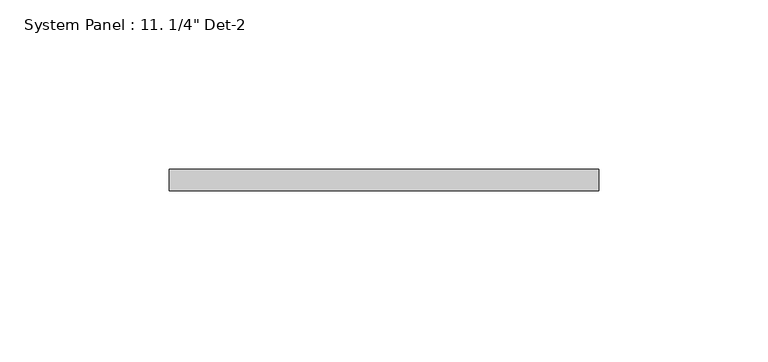
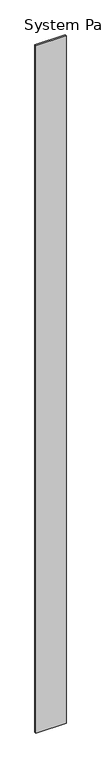
"""IFC4 building model written with IfcOpenShell, lengths in millimetres: plate geometry."""

import ifcopenshell
import ifcopenshell.guid

model = None  # the IFC model being written
_history = None  # IfcOwnerHistory: only IFC2X3 demands one
_inside = {}  # id of a spatial element -> (the spatial element, [elements in it])
_under = {}  # id of a project, library or spatial element -> (it, [spatial elements below it])
_declared = {}  # id of a project -> (the project, [libraries it declares])
_typed = {}  # id of a type object -> (the type object, [elements of that type])
_made_of = {}  # id of a material, layer set ... -> (it, [elements and type objects made of it])


def new_model(schema):
    """Start an empty IFC model of exactly this schema.

    Asked for "IFC4X3", IfcOpenShell would pick the latest addendum, in which some entities
    have other attributes; the version numbers below select the first issue.
    IFC2X3 requires an IfcOwnerHistory on every rooted entity: one is made here for all.
    """
    global model, _history
    if schema == "IFC4X3":
        model = ifcopenshell.file(schema_version=(4, 3, 0, 0))
    else:
        model = ifcopenshell.file(schema=schema)
    _inside.clear()
    _under.clear()
    _declared.clear()
    _typed.clear()
    _made_of.clear()
    _history = None
    if model.schema == "IFC2X3":
        org = make("IfcOrganization", Name="unknown")
        user = make(
            "IfcPersonAndOrganization",
            ThePerson=make("IfcPerson", FamilyName="unknown"),
            TheOrganization=org,
        )
        app = make(
            "IfcApplication",
            ApplicationDeveloper=org,
            Version="unknown",
            ApplicationFullName="unknown",
            ApplicationIdentifier="unknown",
        )
        _history = make(
            "IfcOwnerHistory",
            OwningUser=user,
            OwningApplication=app,
            ChangeAction="ADDED",
            CreationDate=0,
        )
    return model


def make(cls, **values):
    """One entity of the class cls with the attributes given. An attribute that is None is left unset."""
    return model.create_entity(
        cls, **{name: value for name, value in values.items() if value is not None}
    )


def rooted(cls, **values):
    """An entity with a GlobalId (a new one), such as an element, a storey or a relation."""
    return make(cls, GlobalId=ifcopenshell.guid.new(), OwnerHistory=_history, **values)


def si_unit(unit_type, name, prefix=None):
    """IfcSIUnit, for example si_unit("LENGTHUNIT", "METRE", prefix="MILLI")."""
    return make("IfcSIUnit", UnitType=unit_type, Prefix=prefix, Name=name)


def assignment(units):
    """IfcUnitAssignment: the units of a project."""
    return None if units is None else make("IfcUnitAssignment", Units=units)


def point(xyz):
    """IfcCartesianPoint."""
    return None if xyz is None else make("IfcCartesianPoint", Coordinates=xyz)


def direction(xyz):
    """IfcDirection."""
    return None if xyz is None else make("IfcDirection", DirectionRatios=xyz)


def frame(location, z_axis=None, x_axis=None):
    """IfcAxis2Placement3D, a coordinate frame: its origin and axes. An axis left out is left unset."""
    return make(
        "IfcAxis2Placement3D",
        Location=point(location),
        Axis=direction(z_axis),
        RefDirection=direction(x_axis),
    )


def origin():
    """The frame at (0, 0, 0) with its axes left unset."""
    return frame((0.0, 0.0, 0.0))


def origin_with_axes():
    """The frame at (0, 0, 0) with the z axis (0, 0, 1) and the x axis (1, 0, 0) written out."""
    return frame((0.0, 0.0, 0.0), z_axis=(0.0, 0.0, 1.0), x_axis=(1.0, 0.0, 0.0))


def place(relative_to, where):
    """IfcLocalPlacement: puts the frame where relative to a parent placement (None: the world)."""
    return make(
        "IfcLocalPlacement", PlacementRelTo=relative_to, RelativePlacement=where
    )


def context(
    kind, dimensions, precision=None, world=None, true_north=None, identifier=None
):
    """IfcGeometricRepresentationContext, for example the 3D "Model" context."""
    return make(
        "IfcGeometricRepresentationContext",
        ContextIdentifier=identifier,
        ContextType=kind,
        CoordinateSpaceDimension=dimensions,
        Precision=precision,
        WorldCoordinateSystem=world,
        TrueNorth=true_north,
    )


def project(units=None, contexts=None):
    """IfcProject with its units and contexts."""
    return rooted(
        "IfcProject",
        Name="project",
        RepresentationContexts=contexts,
        UnitsInContext=assignment(units),
    )


def spatial(cls, under=None, at=None, **own):
    """A site, building, storey or space (cls), placed at a placement, below another one or the project."""
    s = rooted(cls, ObjectPlacement=at, **own)
    if under is not None:
        _under.setdefault(under.id(), (under, []))[1].append(s)
    return s


def polyline(points):
    """IfcPolyline through the points."""
    return make("IfcPolyline", Points=[point(p) for p in points])


def outline(outer, holes=None, kind="AREA"):
    """IfcArbitraryClosedProfileDef: a profile drawn as a closed curve; with holes, ...WithVoids."""
    if holes is None:
        return make("IfcArbitraryClosedProfileDef", ProfileType=kind, OuterCurve=outer)
    return make(
        "IfcArbitraryProfileDefWithVoids",
        ProfileType=kind,
        OuterCurve=outer,
        InnerCurves=holes,
    )


def extrude(swept, where, along, depth):
    """IfcExtrudedAreaSolid: the profile swept, set in the frame where, extruded along a direction by depth."""
    return make(
        "IfcExtrudedAreaSolid",
        SweptArea=swept,
        Position=where,
        ExtrudedDirection=direction(along),
        Depth=depth,
    )


def shape(context_of_items, identifier, shape_type, items):
    """IfcShapeRepresentation: the items that make up one representation, for example the "Body"."""
    return make(
        "IfcShapeRepresentation",
        ContextOfItems=context_of_items,
        RepresentationIdentifier=identifier,
        RepresentationType=shape_type,
        Items=items,
    )


def source(mapping_origin, context_of_items, identifier, shape_type, items):
    """IfcRepresentationMap: a shape defined once, which mapped items show again and again."""
    return make(
        "IfcRepresentationMap",
        MappingOrigin=mapping_origin,
        MappedRepresentation=shape(context_of_items, identifier, shape_type, items),
    )


def transform(
    local_origin,
    x_axis=None,
    y_axis=None,
    z_axis=None,
    scale=None,
    scale2=None,
    scale3=None,
    uniform=True,
):
    """IfcCartesianTransformationOperator3D, or its non-uniform kind. x_axis, y_axis, z_axis: its Axis1, 2, 3."""
    if uniform:
        return make(
            "IfcCartesianTransformationOperator3D",
            Axis1=direction(x_axis),
            Axis2=direction(y_axis),
            LocalOrigin=point(local_origin),
            Scale=scale,
            Axis3=direction(z_axis),
        )
    return make(
        "IfcCartesianTransformationOperator3DnonUniform",
        Axis1=direction(x_axis),
        Axis2=direction(y_axis),
        LocalOrigin=point(local_origin),
        Scale=scale,
        Axis3=direction(z_axis),
        Scale2=scale2,
        Scale3=scale3,
    )


def mapped(mapping_source, mapping_target):
    """IfcMappedItem: shows the shape of a source again, moved by a transform."""
    return make(
        "IfcMappedItem", MappingSource=mapping_source, MappingTarget=mapping_target
    )


def made_of(thing, what):
    """Note that an element or type object is made of a material, layer set ...; save() writes the relation."""
    if what is not None:
        _made_of.setdefault(what.id(), (what, []))[1].append(thing)
    return thing


def element(
    cls,
    number,
    at=None,
    inside=None,
    cuts=None,
    type_object=None,
    material=None,
    context=None,
    identifier="Body",
    shape_type=None,
    held_by="IfcProductDefinitionShape",
    body=None,
    shapes=None,
    **own,
):
    """One element of the class cls, such as IfcWall. Its Tag is "e" and its number.

    at: its placement. inside: the storey or other place that contains it. cuts: it is an
    opening in that element (IfcRelVoidsElement). A single representation is given by context,
    identifier, shape_type and body (its items); several are given by shapes. held_by: the class
    of the entity that holds the representations. save() writes the other relations.
    """
    e = rooted(cls, Tag="e%d" % number, ObjectPlacement=at, **own)
    if body is not None:
        shapes = [shape(context, identifier, shape_type, body)]
    if shapes is not None:
        e.Representation = make(held_by, Representations=shapes)
    if inside is not None:
        _inside.setdefault(inside.id(), (inside, []))[1].append(e)
    if cuts is not None:
        rooted(
            "IfcRelVoidsElement", RelatingBuildingElement=cuts, RelatedOpeningElement=e
        )
    if type_object is not None:
        _typed.setdefault(type_object.id(), (type_object, []))[1].append(e)
    return made_of(e, material)


def aggregate(whole, parts):
    """IfcRelAggregates: a whole, such as a stair, and the parts it consists of."""
    return rooted("IfcRelAggregates", RelatingObject=whole, RelatedObjects=parts)


def save(model, path):
    """Write the relations noted so far, then the file.

    IfcRelAggregates (storeys below a building ...), IfcRelContainedInSpatialStructure (elements
    in a storey), IfcRelDefinesByType, IfcRelAssociatesMaterial and IfcRelDeclares: one each for
    every whole, place, type object, material and project.
    """
    for whole, parts in _under.values():
        aggregate(whole, parts)
    for where, things in _inside.values():
        rooted(
            "IfcRelContainedInSpatialStructure",
            RelatedElements=things,
            RelatingStructure=where,
        )
    for kind, things in _typed.values():
        rooted("IfcRelDefinesByType", RelatedObjects=things, RelatingType=kind)
    for what, things in _made_of.values():
        rooted("IfcRelAssociatesMaterial", RelatedObjects=things, RelatingMaterial=what)
    for by, libraries in _declared.values():
        rooted("IfcRelDeclares", RelatingContext=by, RelatedDefinitions=libraries)
    model.write(path)


def plate_b4ea1dea(model_context):
    return source(origin(), model_context, "Body", "SweptSolid", [
        extrude(outline(polyline([(63.5, -6.35), (-63.5, -6.35), (-63.5, 0.0), (63.5, 0.0), (63.5, -6.35)])), origin_with_axes(), (0.0, 0.0, 1.0), 3048.0),
    ])


if __name__ == "__main__":
    model = new_model("IFC4")
    model_context = context("Model", 3, world=origin())
    ifc_project = project(units=[si_unit("LENGTHUNIT", "METRE", prefix="MILLI")], contexts=[model_context])
    site = spatial("IfcSite", under=ifc_project)
    building = spatial("IfcBuilding", under=site)
    placement = place(None, origin())
    plate_shape = plate_b4ea1dea(model_context)
    element("IfcPlate", 1, ObjectType="System Panel : 11. 1/4\" Det-2", at=placement, inside=building, context=model_context, shape_type="MappedRepresentation", body=[
        mapped(plate_shape, transform((0.0, 0.0, 0.0), x_axis=(1.0, 0.0, 0.0), y_axis=(0.0, 1.0, 0.0), z_axis=(0.0, 0.0, 1.0))),
    ])
    save(model, "model.ifc")
